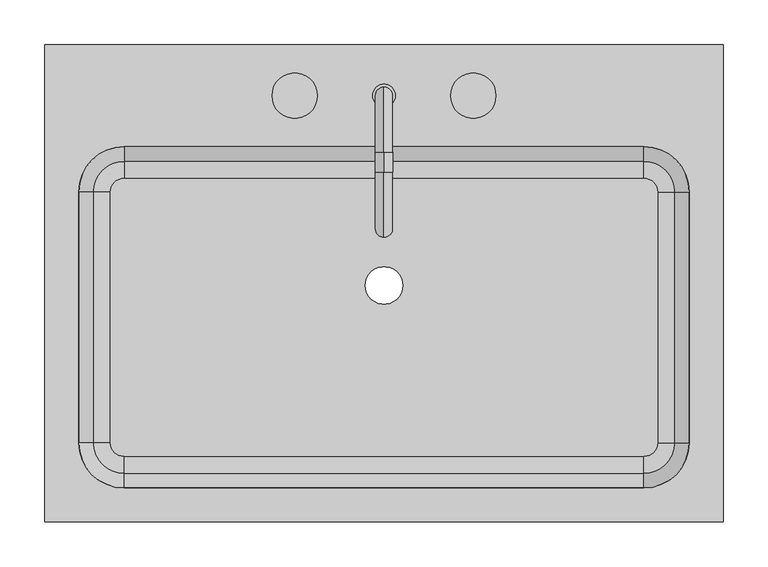
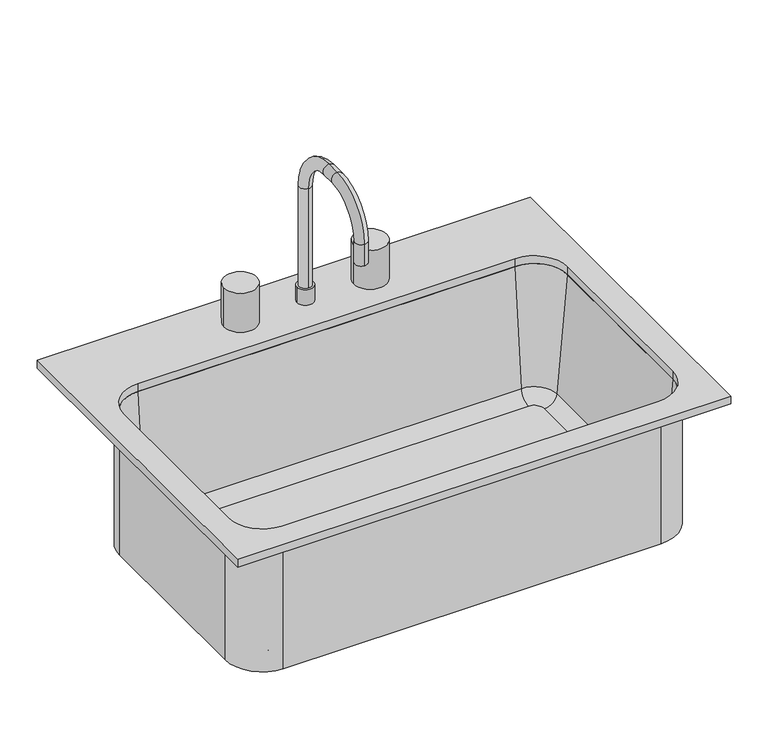
"""IFC4 building model written with IfcOpenShell, lengths in millimetres: flow terminal geometry."""

from ifc_helpers import new_model, si_unit, point, frame, frame_2d, origin, place, context, project, spatial, polyline, circle_curve, ellipse_curve, trimmed, segment, composite_curve, outline, extrude, source, transform, mapped, element, save
from ifc_brep_helpers import plane_surface, cylinder_surface, revolved_surface, advanced_brep


def flow_terminal_531a6f8c(model_context):
    return source(origin(), model_context, "Body", "SolidModel", [
        advanced_brep(
        [(363.9392406, 104.7454011, 684.1), (306.7892406, 161.8954011, 684.1), (306.7892406, 161.8954011, 900.0), (363.9392406, 104.7454011, 900.0), (363.9392406, -176.2545989, 684.1), (306.7892406, -233.4045989, 684.1), (-275.4107594, -233.4045989, 684.1), (-332.5607594, -176.2545989, 684.1), (-332.5607594, 104.7454011, 684.1), (-275.4107594, 161.8954011, 684.1), (-5.3107594, 0.0, 684.1), (36.6892406, 0.0, 684.1), (322.0776588, 104.7454011, 693.625), (306.7892406, 120.0338193, 693.625), (-275.4107594, 120.0338193, 693.625), (-290.6991776, 104.7454011, 693.625), (-290.6991776, -176.2545989, 693.625), (-275.4107594, -191.5430171, 693.625), (306.7892406, -191.5430171, 693.625), (322.0776588, -176.2545989, 693.625), (-5.3107594, 0.0, 693.625), (36.6892406, 0.0, 693.625), (341.0551678, 104.7454011, 711.0146831), (306.7892406, 139.0113283, 711.0146831), (357.5892406, 104.7454011, 900.0), (306.7892406, 155.5454011, 900.0), (363.9392406, -176.2545989, 900.0), (341.0551678, -176.2545989, 711.0146831), (357.5892406, -176.2545989, 900.0), (306.7892406, -233.4045989, 900.0), (306.7892406, -210.5205261, 711.0146831), (306.7892406, -227.0545989, 900.0), (-275.4107594, -233.4045989, 900.0), (-275.4107594, -210.5205261, 711.0146831), (-275.4107594, -227.0545989, 900.0), (-332.5607594, -176.2545989, 900.0), (-309.6766866, -176.2545989, 711.0146831), (-326.2107594, -176.2545989, 900.0), (-332.5607594, 104.7454011, 900.0), (-309.6766866, 104.7454011, 711.0146831), (-326.2107594, 104.7454011, 900.0), (-275.4107594, 161.8954011, 900.0), (-275.4107594, 139.0113283, 711.0146831), (-275.4107594, 155.5454011, 900.0)],
        [
            (0, 1, circle_curve(frame((306.7892406, 104.7454011, 684.1), z_axis=(0.0, 0.0, 1.0), x_axis=(0.0, 1.0, 0.0)), 57.15)),
            (1, 2),
            (2, 3, circle_curve(frame((306.7892406, 104.7454011, 900.0), z_axis=(0.0, 0.0, -1.0), x_axis=(0.0, 1.0, 0.0)), 57.15)),
            (3, 0),
            (0, 4),
            (4, 5, circle_curve(frame((306.7892406, -176.2545989, 684.1), z_axis=(0.0, 0.0, -1.0), x_axis=(1.0, 0.0, 0.0)), 57.15)),
            (5, 6),
            (6, 7, circle_curve(frame((-275.4107594, -176.2545989, 684.1), z_axis=(0.0, 0.0, -1.0), x_axis=(0.0, -1.0, 0.0)), 57.15)),
            (7, 8),
            (8, 9, circle_curve(frame((-275.4107594, 104.7454011, 684.1), z_axis=(0.0, 0.0, -1.0), x_axis=(-1.0, 0.0, 0.0)), 57.15)),
            (9, 1),
            (10, 11, circle_curve(frame((15.6892406, 0.0, 684.1), z_axis=(0.0, 0.0, 1.0), x_axis=(1.0, 0.0, 0.0)), 21.0)),
            (11, 10, circle_curve(frame((15.6892406, 0.0, 684.1), z_axis=(0.0, 0.0, 1.0), x_axis=(1.0, 0.0, 0.0)), 21.0)),
            (12, 13, circle_curve(frame((306.7892406, 104.7454011, 693.625), z_axis=(0.0, 0.0, 1.0), x_axis=(0.0, 1.0, 0.0)), 15.2884182)),
            (13, 14),
            (14, 15, circle_curve(frame((-275.4107594, 104.7454011, 693.625), z_axis=(0.0, 0.0, 1.0), x_axis=(-1.0, 0.0, 0.0)), 15.2884182)),
            (15, 16),
            (16, 17, circle_curve(frame((-275.4107594, -176.2545989, 693.625), z_axis=(0.0, 0.0, 1.0), x_axis=(0.0, -1.0, 0.0)), 15.2884182)),
            (17, 18),
            (18, 19, circle_curve(frame((306.7892406, -176.2545989, 693.625), z_axis=(0.0, 0.0, 1.0), x_axis=(1.0, 0.0, 0.0)), 15.2884182)),
            (19, 12),
            (20, 21, circle_curve(frame((15.6892406, 0.0, 693.625), z_axis=(0.0, 0.0, -1.0), x_axis=(1.0, 0.0, 0.0)), 21.0)),
            (21, 20, circle_curve(frame((15.6892406, 0.0, 693.625), z_axis=(0.0, 0.0, -1.0), x_axis=(1.0, 0.0, 0.0)), 21.0)),
            (12, 22, circle_curve(frame((322.0776588, 104.7454011, 712.675), z_axis=(0.0, -1.0, 0.0), x_axis=(1.0, 0.0, 0.0)), 19.05)),
            (22, 23, circle_curve(frame((306.7892406, 104.7454011, 711.0146831), z_axis=(0.0, 0.0, 1.0), x_axis=(0.0, 1.0, 0.0)), 34.2659272)),
            (23, 13, circle_curve(frame((306.7892406, 120.0338193, 712.675), z_axis=(-1.0, 0.0, 0.0), x_axis=(0.0, 1.0, 0.0)), 19.05)),
            (22, 24),
            (24, 25, circle_curve(frame((306.7892406, 104.7454011, 900.0), z_axis=(0.0, 0.0, 1.0), x_axis=(0.0, 1.0, 0.0)), 50.8)),
            (25, 23),
            (2, 25),
            (24, 3),
            (3, 26),
            (26, 4),
            (19, 27, circle_curve(frame((322.0776588, -176.2545989, 712.675), z_axis=(0.0, -1.0, 0.0), x_axis=(1.0, 0.0, 0.0)), 19.05)),
            (27, 22),
            (27, 28),
            (28, 24),
            (28, 26),
            (26, 29, circle_curve(frame((306.7892406, -176.2545989, 900.0), z_axis=(0.0, 0.0, -1.0), x_axis=(1.0, 0.0, 0.0)), 57.15)),
            (29, 5),
            (18, 30, circle_curve(frame((306.7892406, -191.5430171, 712.675), z_axis=(-1.0, 0.0, 0.0), x_axis=(0.0, -1.0, 0.0)), 19.05)),
            (30, 27, circle_curve(frame((306.7892406, -176.2545989, 711.0146831), z_axis=(0.0, 0.0, 1.0), x_axis=(1.0, 0.0, 0.0)), 34.2659272)),
            (30, 31),
            (31, 28, circle_curve(frame((306.7892406, -176.2545989, 900.0), z_axis=(0.0, 0.0, 1.0), x_axis=(1.0, 0.0, 0.0)), 50.8)),
            (31, 29),
            (29, 32),
            (32, 6),
            (17, 33, circle_curve(frame((-275.4107594, -191.5430171, 712.675), z_axis=(-1.0, 0.0, 0.0), x_axis=(0.0, -1.0, 0.0)), 19.05)),
            (33, 30),
            (33, 34),
            (34, 31),
            (34, 32),
            (32, 35, circle_curve(frame((-275.4107594, -176.2545989, 900.0), z_axis=(0.0, 0.0, -1.0), x_axis=(0.0, -1.0, 0.0)), 57.15)),
            (35, 7),
            (16, 36, circle_curve(frame((-290.6991776, -176.2545989, 712.675), z_axis=(0.0, 1.0, 0.0), x_axis=(-1.0, 0.0, 0.0)), 19.05)),
            (36, 33, circle_curve(frame((-275.4107594, -176.2545989, 711.0146831), z_axis=(0.0, 0.0, 1.0), x_axis=(0.0, -1.0, 0.0)), 34.2659272)),
            (36, 37),
            (37, 34, circle_curve(frame((-275.4107594, -176.2545989, 900.0), z_axis=(0.0, 0.0, 1.0), x_axis=(0.0, -1.0, 0.0)), 50.8)),
            (37, 35),
            (35, 38),
            (38, 8),
            (15, 39, circle_curve(frame((-290.6991776, 104.7454011, 712.675), z_axis=(0.0, 1.0, 0.0), x_axis=(-1.0, 0.0, 0.0)), 19.05)),
            (39, 36),
            (39, 40),
            (40, 37),
            (40, 38),
            (38, 41, circle_curve(frame((-275.4107594, 104.7454011, 900.0), z_axis=(0.0, 0.0, -1.0), x_axis=(-1.0, 0.0, 0.0)), 57.15)),
            (41, 9),
            (14, 42, circle_curve(frame((-275.4107594, 120.0338193, 712.675), z_axis=(1.0, 0.0, 0.0), x_axis=(0.0, 1.0, 0.0)), 19.05)),
            (42, 39, circle_curve(frame((-275.4107594, 104.7454011, 711.0146831), z_axis=(0.0, 0.0, 1.0), x_axis=(-1.0, 0.0, 0.0)), 34.2659272)),
            (42, 43),
            (43, 40, circle_curve(frame((-275.4107594, 104.7454011, 900.0), z_axis=(0.0, 0.0, 1.0), x_axis=(-1.0, 0.0, 0.0)), 50.8)),
            (43, 41),
            (41, 2),
            (23, 42),
            (25, 43),
            (20, 10),
            (11, 21),
        ],
        [
            cylinder_surface(frame((306.7892406, 104.7454011, 0.0), z_axis=(0.0, 0.0, -1.0), x_axis=(0.0, 1.0, 0.0)), 57.15),
            plane_surface(frame((306.7892406, 104.7454011, 684.1), z_axis=(0.0, 0.0, -1.0), x_axis=(0.0, 1.0, 0.0))),
            plane_surface(frame((306.7892406, 104.7454011, 693.625), z_axis=(0.0, 0.0, 1.0), x_axis=(0.0, 1.0, 0.0))),
            revolved_surface(trimmed(ellipse_curve(frame((306.7892406, 120.0338193, 712.675), z_axis=(1.0, 0.0, 0.0), x_axis=(0.0, 1.0, 0.0)), 19.05, 19.05), [point((306.7892406, 120.0338193, 693.625))], [point((306.7892406, 139.0113283, 711.0146831))], True, "CARTESIAN"), (306.7892406, 104.7454011, 0.0), (0.0, 0.0, -1.0)),
            revolved_surface(polyline([(306.7892406, 139.0113283, 711.0146831), (306.7892406, 155.5454011, 900.0)]), (306.7892406, 104.7454011, 0.0), (0.0, 0.0, -1.0)),
            plane_surface(frame((306.7892406, 104.7454011, 900.0), z_axis=(0.0, 0.0, 1.0), x_axis=(0.0, 1.0, 0.0))),
            plane_surface(frame((363.9392406, 104.7454011, 900.0), z_axis=(1.0, 0.0, 0.0), x_axis=(0.0, -1.0, 0.0))),
            revolved_surface(polyline([(341.1276588, -176.25459890000002, 712.675), (341.1276588, 104.7454011, 712.675)]), (322.0776588, 104.7454011, 712.675), (0.0, -1.0, 0.0)),
            plane_surface(frame((341.0551678, 104.7454011, 711.0146831), z_axis=(-0.9961946980917443, 0.0, 0.08715574274767235), x_axis=(0.0, -1.0, 0.0))),
            plane_surface(frame((357.5892406, 104.7454011, 900.0), z_axis=(0.0, 0.0, 1.0), x_axis=(0.0, -1.0, 0.0))),
            cylinder_surface(frame((306.7892406, -176.2545989, 0.0), z_axis=(0.0, 0.0, -1.0), x_axis=(1.0, 0.0, 0.0)), 57.15),
            revolved_surface(trimmed(ellipse_curve(frame((322.0776588, -176.2545989, 712.675), z_axis=(0.0, -1.0, 0.0), x_axis=(1.0, 0.0, 0.0)), 19.05, 19.05), [point((322.0776588, -176.2545989, 693.625))], [point((341.0551678, -176.2545989, 711.0146831))], True, "CARTESIAN"), (306.7892406, -176.2545989, 0.0), (0.0, 0.0, -1.0)),
            revolved_surface(polyline([(341.0551678, -176.2545989, 711.0146831), (357.5892406, -176.2545989, 900.0)]), (306.7892406, -176.2545989, 0.0), (0.0, 0.0, -1.0)),
            plane_surface(frame((306.7892406, -176.2545989, 900.0), z_axis=(0.0, 0.0, 1.0), x_axis=(1.0, 0.0, 0.0))),
            plane_surface(frame((306.7892406, -233.4045989, 900.0), z_axis=(0.0, -1.0, 0.0), x_axis=(-1.0, 0.0, 0.0))),
            revolved_surface(polyline([(-275.4107594, -210.5930171, 712.675), (306.7892406, -210.5930171, 712.675)]), (306.7892406, -191.5430171, 712.675), (-1.0, 0.0, 0.0)),
            plane_surface(frame((306.7892406, -210.5205261, 711.0146831), z_axis=(0.0, 0.9961946980917443, 0.08715574274767235), x_axis=(-1.0, 0.0, 0.0))),
            plane_surface(frame((306.7892406, -227.0545989, 900.0), z_axis=(0.0, 0.0, 1.0), x_axis=(-1.0, 0.0, 0.0))),
            cylinder_surface(frame((-275.4107594, -176.2545989, 0.0), z_axis=(0.0, 0.0, -1.0), x_axis=(0.0, -1.0, 0.0)), 57.15),
            revolved_surface(trimmed(ellipse_curve(frame((-275.4107594, -191.5430171, 712.675), z_axis=(-1.0, 0.0, 0.0), x_axis=(0.0, -1.0, 0.0)), 19.05, 19.05), [point((-275.4107594, -191.5430171, 693.625))], [point((-275.4107594, -210.5205261, 711.0146831))], True, "CARTESIAN"), (-275.4107594, -176.2545989, 0.0), (0.0, 0.0, -1.0)),
            revolved_surface(polyline([(-275.4107594, -210.5205261, 711.0146831), (-275.4107594, -227.0545989, 900.0)]), (-275.4107594, -176.2545989, 0.0), (0.0, 0.0, -1.0)),
            plane_surface(frame((-275.4107594, -176.2545989, 900.0), z_axis=(0.0, 0.0, 1.0), x_axis=(0.0, -1.0, 0.0))),
            plane_surface(frame((-332.5607594, -176.2545989, 900.0), z_axis=(-1.0, 0.0, 0.0), x_axis=(0.0, 1.0, 0.0))),
            revolved_surface(polyline([(-309.7491776, 104.74540110000001, 712.675), (-309.7491776, -176.2545989, 712.675)]), (-290.6991776, -176.2545989, 712.675), (0.0, 1.0, 0.0)),
            plane_surface(frame((-309.6766866, -176.2545989, 711.0146831), z_axis=(0.9961946980917443, 0.0, 0.08715574274767235), x_axis=(0.0, 1.0, 0.0))),
            plane_surface(frame((-326.2107594, -176.2545989, 900.0), z_axis=(0.0, 0.0, 1.0), x_axis=(0.0, 1.0, 0.0))),
            cylinder_surface(frame((-275.4107594, 104.7454011, 0.0), z_axis=(0.0, 0.0, -1.0), x_axis=(-1.0, 0.0, 0.0)), 57.15),
            revolved_surface(trimmed(ellipse_curve(frame((-290.6991776, 104.7454011, 712.675), z_axis=(0.0, 1.0, 0.0), x_axis=(-1.0, 0.0, 0.0)), 19.05, 19.05), [point((-290.6991776, 104.7454011, 693.625))], [point((-309.6766866, 104.7454011, 711.0146831))], True, "CARTESIAN"), (-275.4107594, 104.7454011, 0.0), (0.0, 0.0, -1.0)),
            revolved_surface(polyline([(-309.6766866, 104.7454011, 711.0146831), (-326.2107594, 104.7454011, 900.0)]), (-275.4107594, 104.7454011, 0.0), (0.0, 0.0, -1.0)),
            plane_surface(frame((-275.4107594, 104.7454011, 900.0), z_axis=(0.0, 0.0, 1.0), x_axis=(-1.0, 0.0, 0.0))),
            plane_surface(frame((-275.4107594, 161.8954011, 900.0), z_axis=(0.0, 1.0, 0.0), x_axis=(1.0, 0.0, 0.0))),
            revolved_surface(polyline([(306.7892406, 139.08381930000002, 712.675), (-275.4107594, 139.08381930000002, 712.675)]), (-275.4107594, 120.0338193, 712.675), (1.0, 0.0, 0.0)),
            plane_surface(frame((-275.4107594, 139.0113283, 711.0146831), z_axis=(0.0, -0.9961946980917443, 0.08715574274767235), x_axis=(1.0, 0.0, 0.0))),
            plane_surface(frame((-275.4107594, 155.5454011, 900.0), z_axis=(0.0, 0.0, 1.0), x_axis=(1.0, 0.0, 0.0))),
            revolved_surface(polyline([(36.6892406, 0.0, 684.1), (36.6892406, 0.0, 693.625)]), (15.6892406, 0.0, 0.0), (0.0, 0.0, -1.0)),
        ],
        [
            (0, [[1, 2, 3, 4]]),
            (1, [[-1, 5, 6, 7, 8, 9, 10, 11], [12, 13]]),
            (2, [[14, 15, 16, 17, 18, 19, 20, 21], [22, 23]]),
            (3, [[-14, 24, 25, 26]]),
            (4, [[-25, 27, 28, 29]]),
            (5, [[-3, 30, -28, 31]]),
            (6, [[-4, 32, 33, -5]]),
            (7, [[-24, -21, 34, 35]]),
            (8, [[-27, -35, 36, 37]]),
            (9, [[-31, -37, 38, -32]]),
            (10, [[-33, 39, 40, -6]]),
            (11, [[-34, -20, 41, 42]]),
            (12, [[-36, -42, 43, 44]]),
            (13, [[-38, -44, 45, -39]]),
            (14, [[-40, 46, 47, -7]]),
            (15, [[-41, -19, 48, 49]]),
            (16, [[-43, -49, 50, 51]]),
            (17, [[-45, -51, 52, -46]]),
            (18, [[-47, 53, 54, -8]]),
            (19, [[-48, -18, 55, 56]]),
            (20, [[-50, -56, 57, 58]]),
            (21, [[-52, -58, 59, -53]]),
            (22, [[-54, 60, 61, -9]]),
            (23, [[-55, -17, 62, 63]]),
            (24, [[-57, -63, 64, 65]]),
            (25, [[-59, -65, 66, -60]]),
            (26, [[-61, 67, 68, -10]]),
            (27, [[-62, -16, 69, 70]]),
            (28, [[-64, -70, 71, 72]]),
            (29, [[-66, -72, 73, -67]]),
            (30, [[-2, -11, -68, 74]]),
            (31, [[-26, 75, -69, -15]]),
            (32, [[-29, 76, -71, -75]]),
            (33, [[-30, -74, -73, -76]]),
            (34, [[-22, 77, -13, 78]]),
            (34, [[-23, -78, -12, -77]]),
        ],
    ),
        advanced_brep(
        [(2.9892406, 212.6954011, 938.1), (28.3892406, 212.6954011, 938.1), (15.6892406, 222.2204011, 938.1), (15.6892406, 203.1704011, 938.1), (2.9892406, 212.6954011, 912.7), (28.3892406, 212.6954011, 912.7), (15.6892406, 222.2204011, 1100.025), (15.6892406, 203.1704011, 1100.025), (15.6892406, 149.1954011, 1173.05), (15.6892406, 149.1954011, 1154.0), (15.6892406, 126.9704011, 1173.05), (15.6892406, 126.9704011, 1154.0), (15.6892406, 53.9454011, 1100.025), (15.6892406, 72.9954011, 1100.025), (15.6892406, 53.9454011, 1065.1), (15.6892406, 72.9954011, 1065.1)],
        [
            (0, 1, circle_curve(frame((15.6892406, 212.6954011, 938.1), z_axis=(0.0, 0.0, 1.0), x_axis=(1.0, 0.0, 0.0)), 12.7)),
            (1, 0, circle_curve(frame((15.6892406, 212.6954011, 938.1), z_axis=(0.0, 0.0, 1.0), x_axis=(1.0, 0.0, 0.0)), 12.7)),
            (2, 3, circle_curve(frame((15.6892406, 212.6954011, 938.1), z_axis=(0.0, 0.0, -1.0), x_axis=(0.0, -1.0, 0.0)), 9.525)),
            (3, 2, circle_curve(frame((15.6892406, 212.6954011, 938.1), z_axis=(0.0, 0.0, -1.0), x_axis=(0.0, -1.0, 0.0)), 9.525)),
            (4, 5, circle_curve(frame((15.6892406, 212.6954011, 912.7), z_axis=(0.0, 0.0, -1.0), x_axis=(1.0, 0.0, 0.0)), 12.7)),
            (5, 4, circle_curve(frame((15.6892406, 212.6954011, 912.7), z_axis=(0.0, 0.0, -1.0), x_axis=(1.0, 0.0, 0.0)), 12.7)),
            (0, 4),
            (5, 1),
            (6, 7, circle_curve(frame((15.6892406, 212.6954011, 1100.025), z_axis=(0.0, 0.0, -1.0), x_axis=(0.0, -1.0, 0.0)), 9.525)),
            (7, 3),
            (2, 6),
            (7, 6, circle_curve(frame((15.6892406, 212.6954011, 1100.025), z_axis=(0.0, 0.0, -1.0), x_axis=(0.0, -1.0, 0.0)), 9.525)),
            (6, 8, circle_curve(frame((15.6892406, 149.1954011, 1100.025), z_axis=(1.0, 0.0, 0.0), x_axis=(0.0, 1.0, 0.0)), 73.025)),
            (8, 9, circle_curve(frame((15.6892406, 149.1954011, 1163.525), z_axis=(0.0, 1.0, 0.0), x_axis=(0.0, 0.0, -1.0)), 9.525)),
            (9, 7, circle_curve(frame((15.6892406, 149.1954011, 1100.025), z_axis=(-1.0, 0.0, 0.0), x_axis=(0.0, 1.0, 0.0)), 53.975)),
            (9, 8, circle_curve(frame((15.6892406, 149.1954011, 1163.525), z_axis=(0.0, 1.0, 0.0), x_axis=(0.0, 0.0, -1.0)), 9.525)),
            (8, 10),
            (10, 11, circle_curve(frame((15.6892406, 126.9704011, 1163.525), z_axis=(0.0, 1.0, 0.0), x_axis=(0.0, 0.0, -1.0)), 9.525)),
            (11, 9),
            (11, 10, circle_curve(frame((15.6892406, 126.9704011, 1163.525), z_axis=(0.0, 1.0, 0.0), x_axis=(0.0, 0.0, -1.0)), 9.525)),
            (10, 12, circle_curve(frame((15.6892406, 126.9704011, 1100.025), z_axis=(1.0, 0.0, 0.0), x_axis=(0.0, 0.0, 1.0)), 73.025)),
            (12, 13, circle_curve(frame((15.6892406, 63.4704011, 1100.025), z_axis=(0.0, 0.0, 1.0), x_axis=(0.0, 1.0, 0.0)), 9.525)),
            (13, 11, circle_curve(frame((15.6892406, 126.9704011, 1100.025), z_axis=(-1.0, 0.0, 0.0), x_axis=(0.0, 0.0, 1.0)), 53.975)),
            (13, 12, circle_curve(frame((15.6892406, 63.4704011, 1100.025), z_axis=(0.0, 0.0, 1.0), x_axis=(0.0, 1.0, 0.0)), 9.525)),
            (14, 15, circle_curve(frame((15.6892406, 63.4704011, 1065.1), z_axis=(0.0, 0.0, -1.0), x_axis=(0.0, 1.0, 0.0)), 9.525)),
            (15, 14, circle_curve(frame((15.6892406, 63.4704011, 1065.1), z_axis=(0.0, 0.0, -1.0), x_axis=(0.0, 1.0, 0.0)), 9.525)),
            (12, 14),
            (15, 13),
        ],
        [
            plane_surface(frame((28.3892406, 212.6954011, 938.1), z_axis=(0.0, 0.0, 1.0), x_axis=(0.0, 1.0, 0.0))),
            plane_surface(frame((28.3892406, 212.6954011, 912.7), z_axis=(0.0, 0.0, -1.0), x_axis=(0.0, -1.0, 0.0))),
            cylinder_surface(frame((15.6892406, 212.6954011, 912.7), z_axis=(0.0, 0.0, 1.0), x_axis=(1.0, 0.0, 0.0)), 12.7),
            cylinder_surface(frame((15.6892406, 212.6954011, 912.7), z_axis=(0.0, 0.0, -1.0), x_axis=(0.0, -1.0, 0.0)), 9.525),
            revolved_surface(trimmed(ellipse_curve(frame((15.6892406, 212.6954011, 1100.025), z_axis=(0.0, 0.0, -1.0), x_axis=(0.0, -1.0, 0.0)), 9.525, 9.525), [point((15.6892406, 222.2204011, 1100.025))], [point((15.6892406, 203.1704011, 1100.025))], True, "CARTESIAN"), (15.6892406, 149.1954011, 1100.025), (1.0, 0.0, 0.0)),
            revolved_surface(trimmed(ellipse_curve(frame((15.6892406, 212.6954011, 1100.025), z_axis=(0.0, 0.0, -1.0), x_axis=(0.0, -1.0, 0.0)), 9.525, 9.525), [point((15.6892406, 203.1704011, 1100.025))], [point((15.6892406, 222.2204011, 1100.025))], True, "CARTESIAN"), (15.6892406, 149.1954011, 1100.025), (1.0, 0.0, 0.0)),
            cylinder_surface(frame((15.6892406, 149.1954011, 1163.525), z_axis=(0.0, 1.0, 0.0), x_axis=(0.0, 0.0, -1.0)), 9.525),
            revolved_surface(trimmed(ellipse_curve(frame((15.6892406, 126.9704011, 1163.525), z_axis=(0.0, 1.0, 0.0), x_axis=(0.0, 0.0, -1.0)), 9.525, 9.525), [point((15.6892406, 126.9704011, 1173.05))], [point((15.6892406, 126.9704011, 1154.0))], True, "CARTESIAN"), (15.6892406, 126.9704011, 1100.025), (1.0, 0.0, 0.0)),
            revolved_surface(trimmed(ellipse_curve(frame((15.6892406, 126.9704011, 1163.525), z_axis=(0.0, 1.0, 0.0), x_axis=(0.0, 0.0, -1.0)), 9.525, 9.525), [point((15.6892406, 126.9704011, 1154.0))], [point((15.6892406, 126.9704011, 1173.05))], True, "CARTESIAN"), (15.6892406, 126.9704011, 1100.025), (1.0, 0.0, 0.0)),
            plane_surface(frame((15.6892406, 53.9454011, 1065.1), z_axis=(0.0, 0.0, -1.0), x_axis=(-1.0, 0.0, 0.0))),
            cylinder_surface(frame((15.6892406, 63.4704011, 1100.025), z_axis=(0.0, 0.0, 1.0), x_axis=(0.0, 1.0, 0.0)), 9.525),
        ],
        [
            (0, [[1, 2], [3, 4]]),
            (1, [[5, 6]]),
            (2, [[-1, 7, -6, 8]]),
            (2, [[-2, -8, -5, -7]]),
            (3, [[9, 10, -3, 11]]),
            (3, [[12, -11, -4, -10]]),
            (4, [[-9, 13, 14, 15]]),
            (5, [[-12, -15, 16, -13]]),
            (6, [[-14, 17, 18, 19]]),
            (6, [[-16, -19, 20, -17]]),
            (7, [[-18, 21, 22, 23]]),
            (8, [[-20, -23, 24, -21]]),
            (9, [[25, 26]]),
            (10, [[-22, 27, -26, 28]]),
            (10, [[-24, -28, -25, -27]]),
        ],
    ),
        extrude(outline(composite_curve([segment(trimmed(circle_curve(frame_2d((-84.3107594, 212.6954011)), 25.4), [point((-109.7107594, 212.6954011))], [point((-58.9107594, 212.6954011))], False, "CARTESIAN"), True, "CONTINUOUS"), segment(trimmed(circle_curve(frame_2d((-84.3107594, 212.6954011)), 25.4), [point((-58.9107594, 212.6954011))], [point((-109.7107594, 212.6954011))], False, "CARTESIAN"), True, "CONTINUOUS")], self_intersect=False)), frame((0.0, 0.0, 912.7), z_axis=(0.0, 0.0, 1.0), x_axis=(1.0, 0.0, 0.0)), (0.0, 0.0, 1.0), 63.5),
        extrude(outline(composite_curve([segment(trimmed(circle_curve(frame_2d((115.6892406, 212.6954011)), 25.4), [point((90.2892406, 212.6954011))], [point((141.0892406, 212.6954011))], False, "CARTESIAN"), True, "CONTINUOUS"), segment(trimmed(circle_curve(frame_2d((115.6892406, 212.6954011)), 25.4), [point((141.0892406, 212.6954011))], [point((90.2892406, 212.6954011))], False, "CARTESIAN"), True, "CONTINUOUS")], self_intersect=False)), frame((0.0, 0.0, 912.7), z_axis=(0.0, 0.0, 1.0), x_axis=(1.0, 0.0, 0.0)), (0.0, 0.0, 1.0), 63.5),
        extrude(outline(polyline([(395.6892406, 269.8454011), (395.6892406, -265.1545989), (-364.3107594, -265.1545989), (-364.3107594, 269.8454011), (395.6892406, 269.8454011)]), holes=[composite_curve([segment(polyline([(306.7892406, 155.5454011), (-275.4107594, 155.5454011)]), True, "CONTINUOUS"), segment(trimmed(circle_curve(frame_2d((-275.4107594, 104.7454011)), 50.8), [point((-275.4107594, 155.5454011))], [point((-326.2107594, 104.7454011))], True, "CARTESIAN"), True, "CONTINUOUS"), segment(polyline([(-326.2107594, 104.7454011), (-326.2107594, -176.2545989)]), True, "CONTINUOUS"), segment(trimmed(circle_curve(frame_2d((-275.4107594, -176.2545989)), 50.8), [point((-326.2107594, -176.2545989))], [point((-275.4107594, -227.0545989))], True, "CARTESIAN"), True, "CONTINUOUS"), segment(polyline([(-275.4107594, -227.0545989), (306.7892406, -227.0545989)]), True, "CONTINUOUS"), segment(trimmed(circle_curve(frame_2d((306.7892406, -176.2545989)), 50.8), [point((306.7892406, -227.0545989))], [point((357.5892406, -176.2545989))], True, "CARTESIAN"), True, "CONTINUOUS"), segment(polyline([(357.5892406, -176.2545989), (357.5892406, 104.7454011)]), True, "CONTINUOUS"), segment(trimmed(circle_curve(frame_2d((306.7892406, 104.7454011)), 50.8), [point((357.5892406, 104.7454011))], [point((306.7892406, 155.5454011))], True, "CARTESIAN"), True, "CONTINUOUS")], self_intersect=False)]), frame((0.0, 0.0, 900.0), z_axis=(0.0, 0.0, 1.0), x_axis=(1.0, 0.0, 0.0)), (0.0, 0.0, 1.0), 12.7),
    ])


if __name__ == "__main__":
    model = new_model("IFC4")
    model_context = context("Model", 3, world=origin())
    ifc_project = project(units=[si_unit("LENGTHUNIT", "METRE", prefix="MILLI")], contexts=[model_context])
    site = spatial("IfcSite", under=ifc_project)
    building = spatial("IfcBuilding", under=site)
    placement = place(None, origin())
    flow_terminal_shape = flow_terminal_531a6f8c(model_context)
    element("IfcFlowTerminal", 1, at=placement, inside=building, context=model_context, shape_type="MappedRepresentation", body=[
        mapped(flow_terminal_shape, transform((0.0, 0.0, 0.0), x_axis=(1.0, 0.0, 0.0), y_axis=(0.0, 1.0, 0.0), z_axis=(0.0, 0.0, 1.0))),
    ])
    save(model, "model.ifc")
